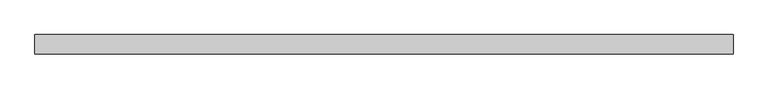
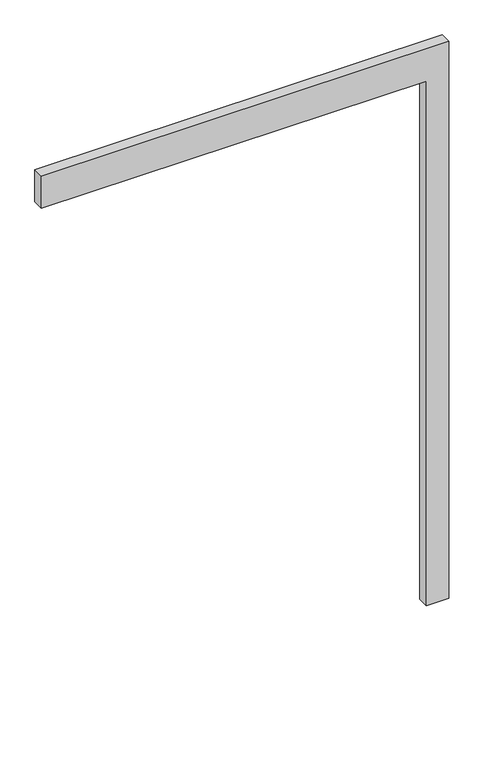
"""IFC4 building model written with IfcOpenShell, lengths in millimetres: proxy geometry."""

from ifc_helpers import new_model, si_unit, frame, origin, place, context, project, spatial, polyline, outline, extrude, source, transform, mapped, element, save


def generic_models_3c130d2e(model_context):
    return source(origin(), model_context, "Body", "SweptSolid", [
        extrude(outline(polyline([(2450.0, -1700.0), (2450.0, 0.0), (0.0, 0.0), (0.0, 100.0), (2600.0, 100.0), (2600.0, -1700.0), (2450.0, -1700.0)])), frame((0.0, -50.0, 0.0), z_axis=(0.0, 1.0, 0.0), x_axis=(0.0, 0.0, 1.0)), (0.0, 0.0, 1.0), 50.0),
    ])


if __name__ == "__main__":
    model = new_model("IFC4")
    model_context = context("Model", 3, world=origin())
    ifc_project = project(units=[si_unit("LENGTHUNIT", "METRE", prefix="MILLI")], contexts=[model_context])
    site = spatial("IfcSite", under=ifc_project)
    building = spatial("IfcBuilding", under=site)
    placement = place(None, origin())
    generic_models_shape = generic_models_3c130d2e(model_context)
    element("IfcBuildingElementProxy", 1, Name="Generic Models", at=placement, inside=building, context=model_context, shape_type="MappedRepresentation", body=[
        mapped(generic_models_shape, transform((0.0, 0.0, 0.0), x_axis=(1.0, 0.0, 0.0), y_axis=(0.0, 1.0, 0.0), z_axis=(0.0, 0.0, 1.0))),
    ])
    save(model, "model.ifc")
